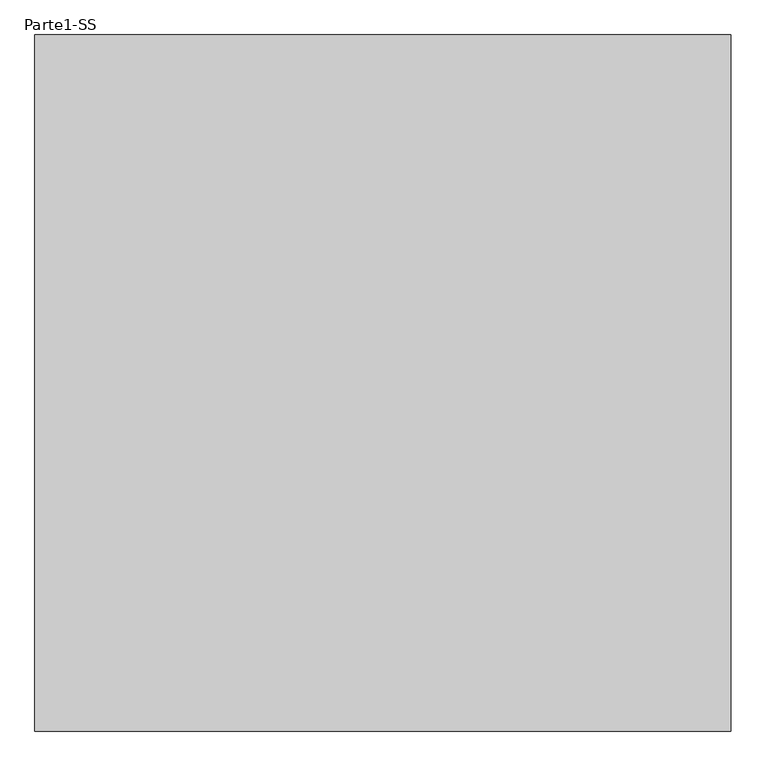
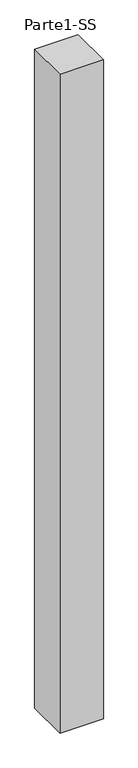
"""IFC4 building model written with IfcOpenShell, lengths in millimetres: proxy geometry, Parte1-SS."""

from ifc_helpers import new_model, si_unit, frame, origin, place, context, project, spatial, polyline, outline, extrude, source, transform, mapped, element, save


def parte1_ss_4020cd92(model_context):
    return source(origin(), model_context, "Body", "SweptSolid", [
        extrude(outline(polyline([(10000.0, 10000.0), (10000.0, 0.0), (0.0, 0.0), (0.0, 10000.0), (10000.0, 10000.0)])), frame((0.0, 0.0, 25000.0), z_axis=(0.0, 0.0, 1.0), x_axis=(1.0, 0.0, 0.0)), (0.0, 0.0, 1.0), 160000.0),
    ])


if __name__ == "__main__":
    model = new_model("IFC4")
    model_context = context("Model", 3, world=origin())
    ifc_project = project(units=[si_unit("LENGTHUNIT", "METRE", prefix="MILLI")], contexts=[model_context])
    site = spatial("IfcSite", under=ifc_project)
    building = spatial("IfcBuilding", under=site)
    placement = place(None, origin())
    parte1_ss_shape = parte1_ss_4020cd92(model_context)
    element("IfcBuildingElementProxy", 1, Name="Parte1-SS", ObjectType="Parte1-SS", at=placement, inside=building, context=model_context, shape_type="MappedRepresentation", body=[
        mapped(parte1_ss_shape, transform((0.0, 0.0, 0.0), x_axis=(1.0, 0.0, 0.0), y_axis=(0.0, 1.0, 0.0), z_axis=(0.0, 0.0, 1.0))),
    ])
    save(model, "model.ifc")
